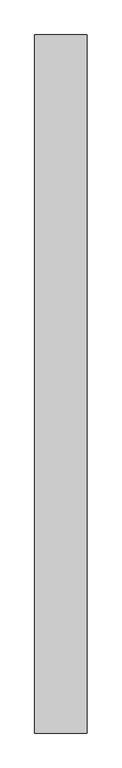
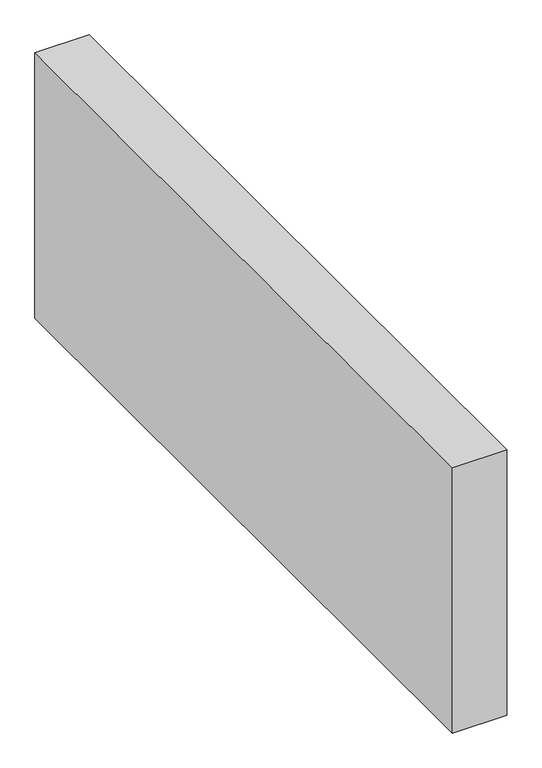
"""IFC4 building model written with IfcOpenShell, lengths in millimetres: proxy geometry."""

from ifc_helpers import new_model, si_unit, origin, origin_with_axes, place, context, project, spatial, polyline, outline, extrude, source, transform, mapped, element, save


def generic_models_f34bc757(model_context):
    return source(origin(), model_context, "Body", "SweptSolid", [
        extrude(outline(polyline([(150.0, 2002.0291862), (150.0, 0.0), (0.0, 0.0), (0.0, 2002.0291862), (150.0, 2002.0291862)])), origin_with_axes(), (0.0, 0.0, 1.0), 776.6553396),
    ])


if __name__ == "__main__":
    model = new_model("IFC4")
    model_context = context("Model", 3, world=origin())
    ifc_project = project(units=[si_unit("LENGTHUNIT", "METRE", prefix="MILLI")], contexts=[model_context])
    site = spatial("IfcSite", under=ifc_project)
    building = spatial("IfcBuilding", under=site)
    placement = place(None, origin())
    generic_models_shape = generic_models_f34bc757(model_context)
    element("IfcBuildingElementProxy", 1, Name="Generic Models", at=placement, inside=building, context=model_context, shape_type="MappedRepresentation", body=[
        mapped(generic_models_shape, transform((0.0, 0.0, 0.0), x_axis=(1.0, 0.0, 0.0), y_axis=(0.0, 1.0, 0.0), z_axis=(0.0, 0.0, 1.0))),
    ])
    save(model, "model.ifc")
